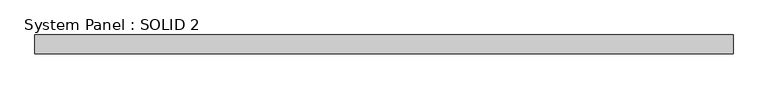
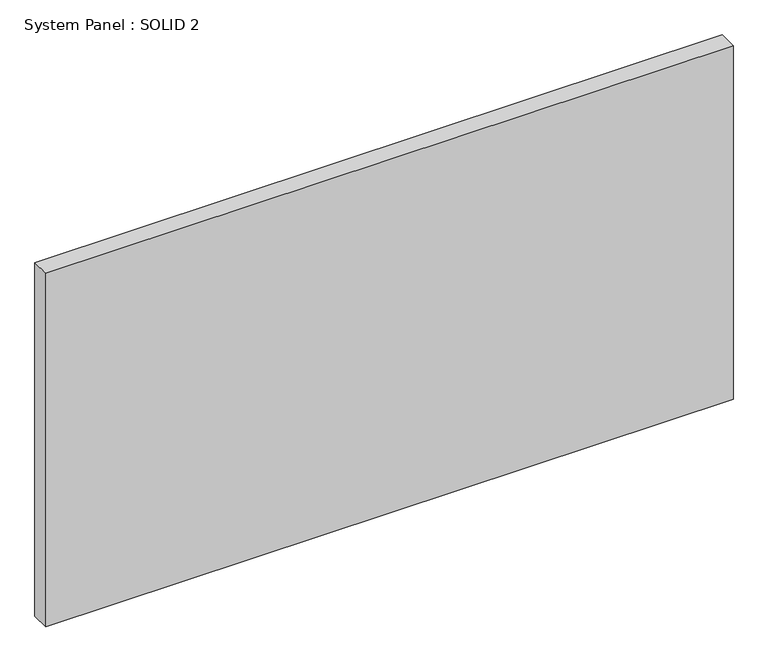
"""IFC4 building model written with IfcOpenShell, lengths in millimetres: plate geometry, System Panel : SOLID 2."""

from ifc_helpers import new_model, si_unit, origin, origin_with_axes, place, context, project, spatial, polyline, outline, extrude, source, transform, mapped, element, save


def system_panel_solid_2_7f893168(model_context):
    return source(origin(), model_context, "Body", "SweptSolid", [
        extrude(outline(polyline([(1465.0, 80.0), (-1465.0, 80.0), (-1465.0, 160.0), (1465.0, 160.0), (1465.0, 80.0)])), origin_with_axes(), (0.0, 0.0, 1.0), 1594.0),
    ])


if __name__ == "__main__":
    model = new_model("IFC4")
    model_context = context("Model", 3, world=origin())
    ifc_project = project(units=[si_unit("LENGTHUNIT", "METRE", prefix="MILLI")], contexts=[model_context])
    site = spatial("IfcSite", under=ifc_project)
    building = spatial("IfcBuilding", under=site)
    placement = place(None, origin())
    system_panel_solid_2_shape = system_panel_solid_2_7f893168(model_context)
    element("IfcPlate", 1, ObjectType="System Panel : SOLID 2", at=placement, inside=building, context=model_context, shape_type="MappedRepresentation", body=[
        mapped(system_panel_solid_2_shape, transform((0.0, 0.0, 0.0), x_axis=(1.0, 0.0, 0.0), y_axis=(0.0, 1.0, 0.0), z_axis=(0.0, 0.0, 1.0))),
    ])
    save(model, "model.ifc")
